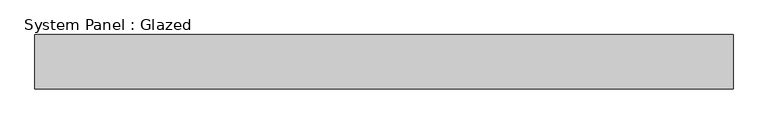
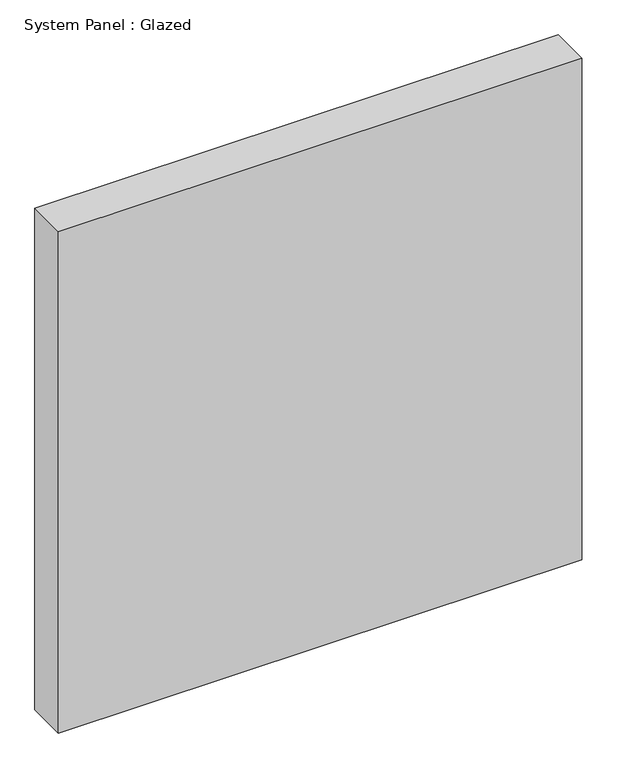
"""IFC4 building model written with IfcOpenShell, lengths in millimetres: plate geometry, System Panel : Glazed."""

import ifcopenshell
import ifcopenshell.guid

model = None  # the IFC model being written
_history = None  # IfcOwnerHistory: only IFC2X3 demands one
_inside = {}  # id of a spatial element -> (the spatial element, [elements in it])
_under = {}  # id of a project, library or spatial element -> (it, [spatial elements below it])
_declared = {}  # id of a project -> (the project, [libraries it declares])
_typed = {}  # id of a type object -> (the type object, [elements of that type])
_made_of = {}  # id of a material, layer set ... -> (it, [elements and type objects made of it])


def new_model(schema):
    """Start an empty IFC model of exactly this schema.

    Asked for "IFC4X3", IfcOpenShell would pick the latest addendum, in which some entities
    have other attributes; the version numbers below select the first issue.
    IFC2X3 requires an IfcOwnerHistory on every rooted entity: one is made here for all.
    """
    global model, _history
    if schema == "IFC4X3":
        model = ifcopenshell.file(schema_version=(4, 3, 0, 0))
    else:
        model = ifcopenshell.file(schema=schema)
    _inside.clear()
    _under.clear()
    _declared.clear()
    _typed.clear()
    _made_of.clear()
    _history = None
    if model.schema == "IFC2X3":
        org = make("IfcOrganization", Name="unknown")
        user = make(
            "IfcPersonAndOrganization",
            ThePerson=make("IfcPerson", FamilyName="unknown"),
            TheOrganization=org,
        )
        app = make(
            "IfcApplication",
            ApplicationDeveloper=org,
            Version="unknown",
            ApplicationFullName="unknown",
            ApplicationIdentifier="unknown",
        )
        _history = make(
            "IfcOwnerHistory",
            OwningUser=user,
            OwningApplication=app,
            ChangeAction="ADDED",
            CreationDate=0,
        )
    return model


def make(cls, **values):
    """One entity of the class cls with the attributes given. An attribute that is None is left unset."""
    return model.create_entity(
        cls, **{name: value for name, value in values.items() if value is not None}
    )


def rooted(cls, **values):
    """An entity with a GlobalId (a new one), such as an element, a storey or a relation."""
    return make(cls, GlobalId=ifcopenshell.guid.new(), OwnerHistory=_history, **values)


def si_unit(unit_type, name, prefix=None):
    """IfcSIUnit, for example si_unit("LENGTHUNIT", "METRE", prefix="MILLI")."""
    return make("IfcSIUnit", UnitType=unit_type, Prefix=prefix, Name=name)


def assignment(units):
    """IfcUnitAssignment: the units of a project."""
    return None if units is None else make("IfcUnitAssignment", Units=units)


def point(xyz):
    """IfcCartesianPoint."""
    return None if xyz is None else make("IfcCartesianPoint", Coordinates=xyz)


def direction(xyz):
    """IfcDirection."""
    return None if xyz is None else make("IfcDirection", DirectionRatios=xyz)


def frame(location, z_axis=None, x_axis=None):
    """IfcAxis2Placement3D, a coordinate frame: its origin and axes. An axis left out is left unset."""
    return make(
        "IfcAxis2Placement3D",
        Location=point(location),
        Axis=direction(z_axis),
        RefDirection=direction(x_axis),
    )


def origin():
    """The frame at (0, 0, 0) with its axes left unset."""
    return frame((0.0, 0.0, 0.0))


def origin_with_axes():
    """The frame at (0, 0, 0) with the z axis (0, 0, 1) and the x axis (1, 0, 0) written out."""
    return frame((0.0, 0.0, 0.0), z_axis=(0.0, 0.0, 1.0), x_axis=(1.0, 0.0, 0.0))


def place(relative_to, where):
    """IfcLocalPlacement: puts the frame where relative to a parent placement (None: the world)."""
    return make(
        "IfcLocalPlacement", PlacementRelTo=relative_to, RelativePlacement=where
    )


def context(
    kind, dimensions, precision=None, world=None, true_north=None, identifier=None
):
    """IfcGeometricRepresentationContext, for example the 3D "Model" context."""
    return make(
        "IfcGeometricRepresentationContext",
        ContextIdentifier=identifier,
        ContextType=kind,
        CoordinateSpaceDimension=dimensions,
        Precision=precision,
        WorldCoordinateSystem=world,
        TrueNorth=true_north,
    )


def project(units=None, contexts=None):
    """IfcProject with its units and contexts."""
    return rooted(
        "IfcProject",
        Name="project",
        RepresentationContexts=contexts,
        UnitsInContext=assignment(units),
    )


def spatial(cls, under=None, at=None, **own):
    """A site, building, storey or space (cls), placed at a placement, below another one or the project."""
    s = rooted(cls, ObjectPlacement=at, **own)
    if under is not None:
        _under.setdefault(under.id(), (under, []))[1].append(s)
    return s


def polyline(points):
    """IfcPolyline through the points."""
    return make("IfcPolyline", Points=[point(p) for p in points])


def outline(outer, holes=None, kind="AREA"):
    """IfcArbitraryClosedProfileDef: a profile drawn as a closed curve; with holes, ...WithVoids."""
    if holes is None:
        return make("IfcArbitraryClosedProfileDef", ProfileType=kind, OuterCurve=outer)
    return make(
        "IfcArbitraryProfileDefWithVoids",
        ProfileType=kind,
        OuterCurve=outer,
        InnerCurves=holes,
    )


def extrude(swept, where, along, depth):
    """IfcExtrudedAreaSolid: the profile swept, set in the frame where, extruded along a direction by depth."""
    return make(
        "IfcExtrudedAreaSolid",
        SweptArea=swept,
        Position=where,
        ExtrudedDirection=direction(along),
        Depth=depth,
    )


def shape(context_of_items, identifier, shape_type, items):
    """IfcShapeRepresentation: the items that make up one representation, for example the "Body"."""
    return make(
        "IfcShapeRepresentation",
        ContextOfItems=context_of_items,
        RepresentationIdentifier=identifier,
        RepresentationType=shape_type,
        Items=items,
    )


def source(mapping_origin, context_of_items, identifier, shape_type, items):
    """IfcRepresentationMap: a shape defined once, which mapped items show again and again."""
    return make(
        "IfcRepresentationMap",
        MappingOrigin=mapping_origin,
        MappedRepresentation=shape(context_of_items, identifier, shape_type, items),
    )


def transform(
    local_origin,
    x_axis=None,
    y_axis=None,
    z_axis=None,
    scale=None,
    scale2=None,
    scale3=None,
    uniform=True,
):
    """IfcCartesianTransformationOperator3D, or its non-uniform kind. x_axis, y_axis, z_axis: its Axis1, 2, 3."""
    if uniform:
        return make(
            "IfcCartesianTransformationOperator3D",
            Axis1=direction(x_axis),
            Axis2=direction(y_axis),
            LocalOrigin=point(local_origin),
            Scale=scale,
            Axis3=direction(z_axis),
        )
    return make(
        "IfcCartesianTransformationOperator3DnonUniform",
        Axis1=direction(x_axis),
        Axis2=direction(y_axis),
        LocalOrigin=point(local_origin),
        Scale=scale,
        Axis3=direction(z_axis),
        Scale2=scale2,
        Scale3=scale3,
    )


def mapped(mapping_source, mapping_target):
    """IfcMappedItem: shows the shape of a source again, moved by a transform."""
    return make(
        "IfcMappedItem", MappingSource=mapping_source, MappingTarget=mapping_target
    )


def made_of(thing, what):
    """Note that an element or type object is made of a material, layer set ...; save() writes the relation."""
    if what is not None:
        _made_of.setdefault(what.id(), (what, []))[1].append(thing)
    return thing


def element(
    cls,
    number,
    at=None,
    inside=None,
    cuts=None,
    type_object=None,
    material=None,
    context=None,
    identifier="Body",
    shape_type=None,
    held_by="IfcProductDefinitionShape",
    body=None,
    shapes=None,
    **own,
):
    """One element of the class cls, such as IfcWall. Its Tag is "e" and its number.

    at: its placement. inside: the storey or other place that contains it. cuts: it is an
    opening in that element (IfcRelVoidsElement). A single representation is given by context,
    identifier, shape_type and body (its items); several are given by shapes. held_by: the class
    of the entity that holds the representations. save() writes the other relations.
    """
    e = rooted(cls, Tag="e%d" % number, ObjectPlacement=at, **own)
    if body is not None:
        shapes = [shape(context, identifier, shape_type, body)]
    if shapes is not None:
        e.Representation = make(held_by, Representations=shapes)
    if inside is not None:
        _inside.setdefault(inside.id(), (inside, []))[1].append(e)
    if cuts is not None:
        rooted(
            "IfcRelVoidsElement", RelatingBuildingElement=cuts, RelatedOpeningElement=e
        )
    if type_object is not None:
        _typed.setdefault(type_object.id(), (type_object, []))[1].append(e)
    return made_of(e, material)


def aggregate(whole, parts):
    """IfcRelAggregates: a whole, such as a stair, and the parts it consists of."""
    return rooted("IfcRelAggregates", RelatingObject=whole, RelatedObjects=parts)


def save(model, path):
    """Write the relations noted so far, then the file.

    IfcRelAggregates (storeys below a building ...), IfcRelContainedInSpatialStructure (elements
    in a storey), IfcRelDefinesByType, IfcRelAssociatesMaterial and IfcRelDeclares: one each for
    every whole, place, type object, material and project.
    """
    for whole, parts in _under.values():
        aggregate(whole, parts)
    for where, things in _inside.values():
        rooted(
            "IfcRelContainedInSpatialStructure",
            RelatedElements=things,
            RelatingStructure=where,
        )
    for kind, things in _typed.values():
        rooted("IfcRelDefinesByType", RelatedObjects=things, RelatingType=kind)
    for what, things in _made_of.values():
        rooted("IfcRelAssociatesMaterial", RelatedObjects=things, RelatingMaterial=what)
    for by, libraries in _declared.values():
        rooted("IfcRelDeclares", RelatingContext=by, RelatedDefinitions=libraries)
    model.write(path)


def system_panel_glazed_2b9c6f2e(model_context):
    return source(origin(), model_context, "Body", "SweptSolid", [
        extrude(outline(polyline([(641.6666667, 50.0), (-641.6666667, 50.0), (-641.6666667, 150.0), (641.6666667, 150.0), (641.6666667, 50.0)])), origin_with_axes(), (0.0, 0.0, 1.0), 1300.0),
    ])


if __name__ == "__main__":
    model = new_model("IFC4")
    model_context = context("Model", 3, world=origin())
    ifc_project = project(units=[si_unit("LENGTHUNIT", "METRE", prefix="MILLI")], contexts=[model_context])
    site = spatial("IfcSite", under=ifc_project)
    building = spatial("IfcBuilding", under=site)
    placement = place(None, origin())
    system_panel_glazed_shape = system_panel_glazed_2b9c6f2e(model_context)
    element("IfcPlate", 1, ObjectType="System Panel : Glazed", at=placement, inside=building, context=model_context, shape_type="MappedRepresentation", body=[
        mapped(system_panel_glazed_shape, transform((0.0, 0.0, 0.0), x_axis=(1.0, 0.0, 0.0), y_axis=(0.0, 1.0, 0.0), z_axis=(0.0, 0.0, 1.0))),
    ])
    save(model, "model.ifc")
